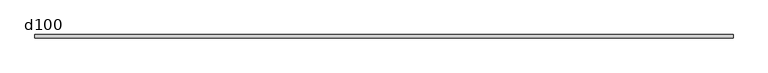
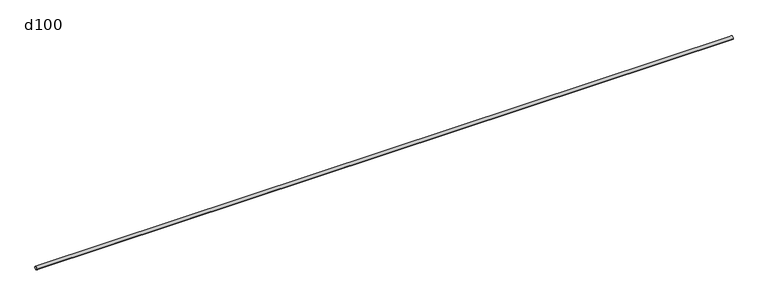
"""IFC4 building model written with IfcOpenShell, lengths in millimetres: beam geometry, d100."""

import ifcopenshell
import ifcopenshell.guid

model = None  # the IFC model being written
_history = None  # IfcOwnerHistory: only IFC2X3 demands one
_inside = {}  # id of a spatial element -> (the spatial element, [elements in it])
_under = {}  # id of a project, library or spatial element -> (it, [spatial elements below it])
_declared = {}  # id of a project -> (the project, [libraries it declares])
_typed = {}  # id of a type object -> (the type object, [elements of that type])
_made_of = {}  # id of a material, layer set ... -> (it, [elements and type objects made of it])


def new_model(schema):
    """Start an empty IFC model of exactly this schema.

    Asked for "IFC4X3", IfcOpenShell would pick the latest addendum, in which some entities
    have other attributes; the version numbers below select the first issue.
    IFC2X3 requires an IfcOwnerHistory on every rooted entity: one is made here for all.
    """
    global model, _history
    if schema == "IFC4X3":
        model = ifcopenshell.file(schema_version=(4, 3, 0, 0))
    else:
        model = ifcopenshell.file(schema=schema)
    _inside.clear()
    _under.clear()
    _declared.clear()
    _typed.clear()
    _made_of.clear()
    _history = None
    if model.schema == "IFC2X3":
        org = make("IfcOrganization", Name="unknown")
        user = make(
            "IfcPersonAndOrganization",
            ThePerson=make("IfcPerson", FamilyName="unknown"),
            TheOrganization=org,
        )
        app = make(
            "IfcApplication",
            ApplicationDeveloper=org,
            Version="unknown",
            ApplicationFullName="unknown",
            ApplicationIdentifier="unknown",
        )
        _history = make(
            "IfcOwnerHistory",
            OwningUser=user,
            OwningApplication=app,
            ChangeAction="ADDED",
            CreationDate=0,
        )
    return model


def make(cls, **values):
    """One entity of the class cls with the attributes given. An attribute that is None is left unset."""
    return model.create_entity(
        cls, **{name: value for name, value in values.items() if value is not None}
    )


def rooted(cls, **values):
    """An entity with a GlobalId (a new one), such as an element, a storey or a relation."""
    return make(cls, GlobalId=ifcopenshell.guid.new(), OwnerHistory=_history, **values)


def si_unit(unit_type, name, prefix=None):
    """IfcSIUnit, for example si_unit("LENGTHUNIT", "METRE", prefix="MILLI")."""
    return make("IfcSIUnit", UnitType=unit_type, Prefix=prefix, Name=name)


def assignment(units):
    """IfcUnitAssignment: the units of a project."""
    return None if units is None else make("IfcUnitAssignment", Units=units)


def point(xyz):
    """IfcCartesianPoint."""
    return None if xyz is None else make("IfcCartesianPoint", Coordinates=xyz)


def direction(xyz):
    """IfcDirection."""
    return None if xyz is None else make("IfcDirection", DirectionRatios=xyz)


def frame(location, z_axis=None, x_axis=None):
    """IfcAxis2Placement3D, a coordinate frame: its origin and axes. An axis left out is left unset."""
    return make(
        "IfcAxis2Placement3D",
        Location=point(location),
        Axis=direction(z_axis),
        RefDirection=direction(x_axis),
    )


def frame_2d(location, x_axis=None):
    """IfcAxis2Placement2D, a coordinate frame in the plane: its origin and x axis."""
    return make(
        "IfcAxis2Placement2D", Location=point(location), RefDirection=direction(x_axis)
    )


def origin():
    """The frame at (0, 0, 0) with its axes left unset."""
    return frame((0.0, 0.0, 0.0))


def origin_2d():
    """The frame at (0, 0) in the plane with its x axis left unset."""
    return frame_2d((0.0, 0.0))


def place(relative_to, where):
    """IfcLocalPlacement: puts the frame where relative to a parent placement (None: the world)."""
    return make(
        "IfcLocalPlacement", PlacementRelTo=relative_to, RelativePlacement=where
    )


def context(
    kind, dimensions, precision=None, world=None, true_north=None, identifier=None
):
    """IfcGeometricRepresentationContext, for example the 3D "Model" context."""
    return make(
        "IfcGeometricRepresentationContext",
        ContextIdentifier=identifier,
        ContextType=kind,
        CoordinateSpaceDimension=dimensions,
        Precision=precision,
        WorldCoordinateSystem=world,
        TrueNorth=true_north,
    )


def project(units=None, contexts=None):
    """IfcProject with its units and contexts."""
    return rooted(
        "IfcProject",
        Name="project",
        RepresentationContexts=contexts,
        UnitsInContext=assignment(units),
    )


def spatial(cls, under=None, at=None, **own):
    """A site, building, storey or space (cls), placed at a placement, below another one or the project."""
    s = rooted(cls, ObjectPlacement=at, **own)
    if under is not None:
        _under.setdefault(under.id(), (under, []))[1].append(s)
    return s


def circle_curve(where, radius):
    """IfcCircle in the frame where."""
    return make("IfcCircle", Position=where, Radius=radius)


def trimmed(basis, trim1, trim2, sense, master):
    """IfcTrimmedCurve: the piece of a basis curve between two trims."""
    return make(
        "IfcTrimmedCurve",
        BasisCurve=basis,
        Trim1=trim1,
        Trim2=trim2,
        SenseAgreement=sense,
        MasterRepresentation=master,
    )


def segment(curve, same_sense, transition):
    """IfcCompositeCurveSegment."""
    return make(
        "IfcCompositeCurveSegment",
        Transition=transition,
        SameSense=same_sense,
        ParentCurve=curve,
    )


def composite_curve(segments, self_intersect=None):
    """IfcCompositeCurve: segments joined end to end."""
    return make("IfcCompositeCurve", Segments=segments, SelfIntersect=self_intersect)


def outline(outer, holes=None, kind="AREA"):
    """IfcArbitraryClosedProfileDef: a profile drawn as a closed curve; with holes, ...WithVoids."""
    if holes is None:
        return make("IfcArbitraryClosedProfileDef", ProfileType=kind, OuterCurve=outer)
    return make(
        "IfcArbitraryProfileDefWithVoids",
        ProfileType=kind,
        OuterCurve=outer,
        InnerCurves=holes,
    )


def extrude(swept, where, along, depth):
    """IfcExtrudedAreaSolid: the profile swept, set in the frame where, extruded along a direction by depth."""
    return make(
        "IfcExtrudedAreaSolid",
        SweptArea=swept,
        Position=where,
        ExtrudedDirection=direction(along),
        Depth=depth,
    )


def shape(context_of_items, identifier, shape_type, items):
    """IfcShapeRepresentation: the items that make up one representation, for example the "Body"."""
    return make(
        "IfcShapeRepresentation",
        ContextOfItems=context_of_items,
        RepresentationIdentifier=identifier,
        RepresentationType=shape_type,
        Items=items,
    )


def source(mapping_origin, context_of_items, identifier, shape_type, items):
    """IfcRepresentationMap: a shape defined once, which mapped items show again and again."""
    return make(
        "IfcRepresentationMap",
        MappingOrigin=mapping_origin,
        MappedRepresentation=shape(context_of_items, identifier, shape_type, items),
    )


def transform(
    local_origin,
    x_axis=None,
    y_axis=None,
    z_axis=None,
    scale=None,
    scale2=None,
    scale3=None,
    uniform=True,
):
    """IfcCartesianTransformationOperator3D, or its non-uniform kind. x_axis, y_axis, z_axis: its Axis1, 2, 3."""
    if uniform:
        return make(
            "IfcCartesianTransformationOperator3D",
            Axis1=direction(x_axis),
            Axis2=direction(y_axis),
            LocalOrigin=point(local_origin),
            Scale=scale,
            Axis3=direction(z_axis),
        )
    return make(
        "IfcCartesianTransformationOperator3DnonUniform",
        Axis1=direction(x_axis),
        Axis2=direction(y_axis),
        LocalOrigin=point(local_origin),
        Scale=scale,
        Axis3=direction(z_axis),
        Scale2=scale2,
        Scale3=scale3,
    )


def mapped(mapping_source, mapping_target):
    """IfcMappedItem: shows the shape of a source again, moved by a transform."""
    return make(
        "IfcMappedItem", MappingSource=mapping_source, MappingTarget=mapping_target
    )


def made_of(thing, what):
    """Note that an element or type object is made of a material, layer set ...; save() writes the relation."""
    if what is not None:
        _made_of.setdefault(what.id(), (what, []))[1].append(thing)
    return thing


def element(
    cls,
    number,
    at=None,
    inside=None,
    cuts=None,
    type_object=None,
    material=None,
    context=None,
    identifier="Body",
    shape_type=None,
    held_by="IfcProductDefinitionShape",
    body=None,
    shapes=None,
    **own,
):
    """One element of the class cls, such as IfcWall. Its Tag is "e" and its number.

    at: its placement. inside: the storey or other place that contains it. cuts: it is an
    opening in that element (IfcRelVoidsElement). A single representation is given by context,
    identifier, shape_type and body (its items); several are given by shapes. held_by: the class
    of the entity that holds the representations. save() writes the other relations.
    """
    e = rooted(cls, Tag="e%d" % number, ObjectPlacement=at, **own)
    if body is not None:
        shapes = [shape(context, identifier, shape_type, body)]
    if shapes is not None:
        e.Representation = make(held_by, Representations=shapes)
    if inside is not None:
        _inside.setdefault(inside.id(), (inside, []))[1].append(e)
    if cuts is not None:
        rooted(
            "IfcRelVoidsElement", RelatingBuildingElement=cuts, RelatedOpeningElement=e
        )
    if type_object is not None:
        _typed.setdefault(type_object.id(), (type_object, []))[1].append(e)
    return made_of(e, material)


def aggregate(whole, parts):
    """IfcRelAggregates: a whole, such as a stair, and the parts it consists of."""
    return rooted("IfcRelAggregates", RelatingObject=whole, RelatedObjects=parts)


def save(model, path):
    """Write the relations noted so far, then the file.

    IfcRelAggregates (storeys below a building ...), IfcRelContainedInSpatialStructure (elements
    in a storey), IfcRelDefinesByType, IfcRelAssociatesMaterial and IfcRelDeclares: one each for
    every whole, place, type object, material and project.
    """
    for whole, parts in _under.values():
        aggregate(whole, parts)
    for where, things in _inside.values():
        rooted(
            "IfcRelContainedInSpatialStructure",
            RelatedElements=things,
            RelatingStructure=where,
        )
    for kind, things in _typed.values():
        rooted("IfcRelDefinesByType", RelatedObjects=things, RelatingType=kind)
    for what, things in _made_of.values():
        rooted("IfcRelAssociatesMaterial", RelatedObjects=things, RelatingMaterial=what)
    for by, libraries in _declared.values():
        rooted("IfcRelDeclares", RelatingContext=by, RelatedDefinitions=libraries)
    model.write(path)


def d100_3f89d883(model_context):
    return source(origin(), model_context, "Body", "SweptSolid", [
        extrude(outline(composite_curve([segment(trimmed(circle_curve(origin_2d(), 50.0), [point((-50.0, 0.0))], [point((50.0, 0.0))], False, "CARTESIAN"), True, "CONTINUOUS"), segment(trimmed(circle_curve(origin_2d(), 50.0), [point((50.0, 0.0))], [point((-50.0, 0.0))], False, "CARTESIAN"), True, "CONTINUOUS")], self_intersect=False)), frame((-10143.2512509, 0.0, 0.0), z_axis=(1.0, 0.0, 0.0), x_axis=(0.0, 1.0, 0.0)), (0.0, 0.0, 1.0), 20286.5025018),
    ])


if __name__ == "__main__":
    model = new_model("IFC4")
    model_context = context("Model", 3, world=origin())
    ifc_project = project(units=[si_unit("LENGTHUNIT", "METRE", prefix="MILLI")], contexts=[model_context])
    site = spatial("IfcSite", under=ifc_project)
    building = spatial("IfcBuilding", under=site)
    placement = place(None, origin())
    d100_shape = d100_3f89d883(model_context)
    element("IfcBeam", 1, ObjectType="d100", at=placement, inside=building, context=model_context, shape_type="MappedRepresentation", body=[
        mapped(d100_shape, transform((0.0, 0.0, 0.0), x_axis=(1.0, 0.0, 0.0), y_axis=(0.0, 1.0, 0.0), z_axis=(0.0, 0.0, 1.0))),
    ])
    save(model, "model.ifc")
